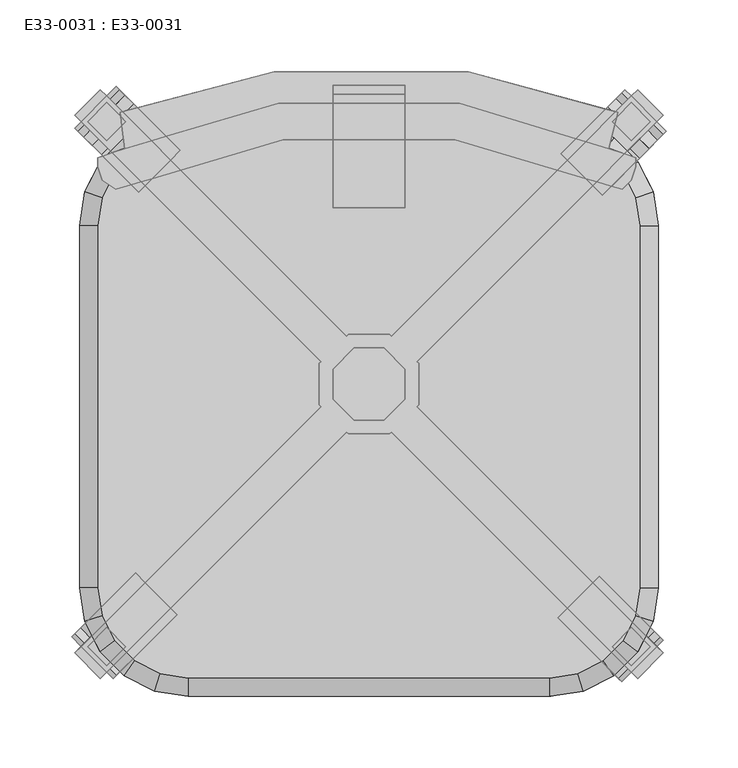
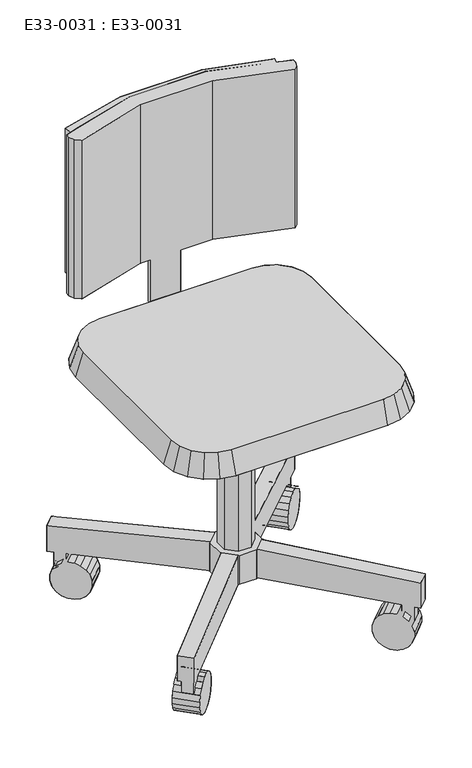
"""IFC4 building model written with IfcOpenShell, lengths in millimetres: furniture geometry, E33-0031 : E33-0031."""

from ifc_helpers import new_model, si_unit, origin, place, context, project, spatial, triangles, source, transform, mapped, element, save


def e33_0031_e33_0031_7fa96029(model_context):
    return source(origin(), model_context, "Body", "Tessellation", [
        triangles([(10.4864125, 25.3164598, 132.012409), (-10.4864171, 25.3164598, 132.012409), (-10.4864171, 25.3164598, 423.1516422), (10.4864125, 25.3164598, 423.1516422), (-25.316453, 10.4864239, 132.012409), (-25.316453, 10.4864239, 423.1516422), (-25.316453, -10.4864148, 132.012409), (-25.316453, -10.4864148, 423.1516422), (-10.4864171, -25.3164507, 132.012409), (-10.4864171, -25.3164507, 423.1516422), (10.4864125, -25.3164507, 132.012409), (10.4864125, -25.3164507, 423.1516422), (25.3164484, -10.4864148, 132.012409), (25.3164484, -10.4864148, 423.1516422), (25.3164484, 10.4864239, 132.012409), (25.3164484, 10.4864239, 423.1516422), (205.8665266, 187.9650961, 71.8858238), (187.9650885, 205.8665312, 71.8858238), (187.9650885, 205.8665312, 116.1896194), (205.8665266, 187.9650961, 116.1896194), (187.9650885, -205.866513, 71.8858238), (205.8665266, -187.9650984, 71.8858238), (187.9650885, -205.866513, 116.1896194), (205.8665266, -187.9650984, 116.1896194), (14.4188215, -34.81013, 81.3794985), (15.6637491, -33.5652023, 81.3794985), (14.4188215, -34.81013, 132.012409), (15.6637491, -33.5652023, 132.012409), (34.8101186, -14.4188237, 81.3794985), (34.8101186, 14.4188237, 81.3794985), (34.8101186, -14.4188237, 132.012409), (34.8101186, 14.4188237, 132.012409), (33.565191, 15.6637605, 81.3794985), (33.565191, 15.6637605, 132.012409), (15.6637491, 33.5651932, 81.3794985), (14.4188215, 34.81013, 81.3794985), (14.4188215, 34.81013, 132.012409), (15.6637491, 33.5651932, 132.012409), (33.565191, -15.6637514, 81.3794985), (33.565191, -15.6637514, 132.012409), (-205.8665334, -187.9650984, 71.8858238), (-187.9650825, -205.866513, 71.8858238), (-205.8665334, -187.9650984, 116.1896194), (-187.9650825, -205.866513, 116.1896194), (-187.9650825, 205.8665312, 71.8858238), (-205.8665334, 187.9650961, 71.8858238), (-205.8665334, 187.9650961, 116.1896194), (-187.9650825, 205.8665312, 116.1896194), (-14.418826, 34.81013, 81.3794985), (-15.6637718, 33.5651932, 81.3794985), (-15.6637718, 33.5651932, 132.012409), (-14.418826, 34.81013, 132.012409), (-34.8101322, 14.4188237, 81.3794985), (-34.8101322, -14.4188237, 81.3794985), (-34.8101322, -14.4188237, 132.012409), (-34.8101322, 14.4188237, 132.012409), (-33.5652046, -15.6637514, 81.3794985), (-33.5652046, -15.6637514, 132.012409), (-15.6637718, -33.5652023, 81.3794985), (-14.418826, -34.81013, 81.3794985), (-15.6637718, -33.5652023, 132.012409), (-14.418826, -34.81013, 132.012409), (-33.5652046, 15.6637605, 81.3794985), (-33.5652046, 15.6637605, 132.012409), (208.1042057, 176.7766973, 25.7344189), (205.9138098, 174.5863002, 16.2007133), (176.8239731, 203.6761352, 16.2007133), (179.0143695, 205.8665312, 25.7344189), (165.5410084, 134.2134988, 16.2007133), (163.3506125, 132.0231029, 25.7344189), (134.2607752, 161.1129391, 25.7344189), (136.4511711, 163.3033358, 16.2007133), (176.7766899, -208.1042034, 25.7344189), (174.5862934, -205.9138211, 16.2007133), (203.6761284, -176.8239907, 16.2007133), (205.8665266, -179.0143729, 25.7344189), (134.2134943, -165.5409948, 16.2007133), (132.0230983, -163.3506125, 25.7344189), (161.1129311, -134.260782, 25.7344189), (163.3033293, -136.4511824, 16.2007133), (160.1817084, 187.0338712, 62.3921537), (160.1817084, 187.0338712, -0.8989843), (153.0934374, 179.9456002, -0.8989843), (146.3520884, 173.2042511, 2.1987046), (166.9230575, 193.7752202, 2.1987046), (172.6575912, 199.5097517, 8.090859), (189.2715452, 157.9440364, 62.3921537), (189.2715452, 157.9440364, -0.8989843), (182.1832723, 150.8557634, -0.8989843), (175.441924, 144.1144149, 2.1987046), (169.7073908, 138.3798824, 8.090859), (163.3506125, 132.0231029, 35.7587503), (196.0128936, 164.6853846, 2.1987046), (201.7474262, 170.4199178, 8.090859), (157.9440293, -189.2715594, 62.3921537), (157.9440293, -189.2715594, -0.8989843), (150.8557561, -182.1832929, -0.8989843), (144.114407, -175.4419166, 2.1987046), (138.3798733, -169.7073829, 8.090859), (132.0230983, -163.3506125, 35.7587503), (170.4199109, -201.747433, 8.090859), (164.6853784, -196.0128993, 2.1987046), (187.0338655, -160.1817289, 62.3921537), (187.0338655, -160.1817289, -0.8989843), (179.9455925, -153.0934261, -0.8989843), (173.2042443, -146.3520861, 2.1987046), (167.4697117, -140.6175524, 8.090859), (161.1129311, -134.260782, 35.7587503), (199.5097471, -172.6576025, 8.090859), (193.7752134, -166.9230688, 2.1987046), (140.6175547, 167.469718, 8.090859), (134.2607752, 161.1129391, 35.7587503), (-176.7767029, 208.1042125, 25.7344189), (-174.5863206, 205.9138166, 16.2007133), (-205.8665334, 179.0143775, 25.7344189), (-203.6761511, 176.8239793, 16.2007133), (-134.2134943, 165.5410152, 16.2007133), (-132.023112, 163.3506187, 25.7344189), (-163.3033248, 136.4511802, 16.2007133), (-161.1129425, 134.260782, 25.7344189), (-208.1042239, -176.7766825, 25.7344189), (-205.9138053, -174.5863002, 16.2007133), (-176.8239748, -203.6761307, 16.2007133), (-179.0143934, -205.866513, 25.7344189), (-165.5410152, -134.213492, 16.2007133), (-163.3506329, -132.0230915, 25.7344189), (-134.2608024, -161.112922, 25.7344189), (-136.4511847, -163.3033406, 16.2007133), (-189.2715435, -157.9440384, 62.3921537), (-189.2715435, -157.9440384, -0.8989843), (-182.183277, -150.8557719, -0.8989843), (-175.441937, -144.1144138, 2.1987046), (-163.3506329, -132.0230915, 35.7587503), (-196.0129198, -164.6853784, 2.1987046), (-201.7474535, -170.4199121, 8.090859), (-160.181713, -187.0338689, 62.3921537), (-160.181713, -187.0338689, -0.8989843), (-153.0934465, -179.9456024, -0.8989843), (-146.3521065, -173.2042625, 2.1987046), (-140.6175728, -167.4697288, 8.090859), (-134.2608024, -161.112922, 35.7587503), (-166.9230529, -193.7752089, 2.1987046), (-172.6575866, -199.5097426, 8.090859), (-187.0338893, 160.1817161, 62.3921537), (-187.0338893, 160.1817161, -0.8989843), (-179.9455865, 153.0934431, -0.8989843), (-173.2042466, 146.3520952, 2.1987046), (-167.4697129, 140.6175615, 8.090859), (-161.1129425, 134.260782, 35.7587503), (-193.7752293, 166.9230643, 2.1987046), (-199.509763, 172.6575968, 8.090859), (-157.9440225, 189.2715525, 62.3921537), (-157.9440225, 189.2715525, -0.8989843), (-150.8557561, 182.1832793, -0.8989843), (-144.1144161, 175.4419313, 2.1987046), (-138.3798824, 169.7073977, 8.090859), (-132.023112, 163.3506187, 35.7587503), (-164.6853988, 196.0128993, 2.1987046), (-170.4199325, 201.747433, 8.090859), (-169.7074033, -138.3798801, 8.090859), (183.4897291, -170.0636475, 72.9954763), (183.4897291, -170.0636475, 60.9360244), (170.0636509, -183.4897175, 60.9360244), (170.0636509, -183.4897175, 72.9954763), (174.5862934, -205.9138211, 45.2924571), (176.7766899, -208.1042034, 35.7587503), (203.6761284, -176.8239907, 45.2924571), (205.8665266, -179.0143729, 35.7587503), (134.2134943, -165.5409948, 45.2924571), (138.3798733, -169.7073829, 53.4023136), (144.114407, -175.4419166, 59.2944639), (150.8557561, -182.1832929, 62.3921537), (196.9158068, -183.4897175, 72.2557095), (196.9158068, -183.4897175, 45.3844936), (179.9455925, -153.0934261, 62.3921537), (173.2042443, -146.3520861, 59.2944639), (-170.0636679, -183.4897175, 72.9954763), (-170.0636679, -183.4897175, 60.9360244), (-183.4897379, -170.0636475, 60.9360244), (-183.4897379, -170.0636475, 72.9954763), (-205.9138053, -174.5863002, 45.2924571), (-208.1042239, -176.7766825, 35.7587503), (-179.0143934, -205.866513, 35.7587503), (-176.8239748, -203.6761307, 45.2924571), (-140.6175728, -167.4697288, 53.4023136), (-146.3521065, -173.2042625, 59.2944639), (-153.0934465, -179.9456024, 62.3921537), (-196.915808, -183.4897175, 72.2557095), (-196.915808, -183.4897175, 45.3844936), (-136.4511847, -163.3033406, 45.2924571), (-182.183277, -150.8557719, 62.3921537), (183.4897291, -196.9158239, 72.2557095), (183.4897291, -196.9158239, 45.3844936), (173.6360959, -187.0621739, 59.2944639), (164.6853784, -196.0128993, 59.2944639), (170.4199109, -201.747433, 53.4023136), (179.3706296, -192.7967076, 53.4023136), (-183.4897379, -196.9158239, 45.3844936), (-183.4897379, -196.9158239, 72.2557095), (-173.6361243, -187.0621739, 59.2944639), (-179.370658, -192.7967076, 53.4023136), (-172.6575866, -199.5097426, 53.4023136), (-166.9230529, -193.7752089, 59.2944639), (196.9158068, 183.4897357, 72.2557095), (196.9158068, 183.4897357, 45.3844936), (183.4897291, 196.9158148, 45.3844936), (183.4897291, 196.9158148, 72.2557095), (169.7073908, 138.3798824, 53.4023136), (175.441924, 144.1144149, 59.2944639), (146.3520884, 173.2042511, 59.2944639), (140.6175547, 167.469718, 53.4023136), (173.6360959, 187.0621807, 59.2944639), (179.3706296, 192.7967144, 53.4023136), (166.9230575, 193.7752202, 59.2944639), (172.6575912, 199.5097517, 53.4023136), (187.0621747, 173.6361027, 59.2944639), (196.0128936, 164.6853846, 59.2944639), (201.7474262, 170.4199178, 53.4023136), (192.7967076, 179.3706375, 53.4023136), (136.4511711, 163.3033358, 45.2924571), (153.0934374, 179.9456002, 62.3921537), (165.5410084, 134.2134988, 45.2924571), (182.1832723, 150.8557634, 62.3921537), (183.4897291, 170.0636577, 72.9954763), (183.4897291, 170.0636577, 60.9360244), (170.0636509, 183.4897357, 72.9954763), (170.0636509, 183.4897357, 60.9360244), (187.0621747, -173.6361038, 59.2944639), (192.7967076, -179.3706375, 53.4023136), (193.7752134, -166.9230688, 59.2944639), (199.5097471, -172.6576025, 53.4023136), (167.4697117, -140.6175524, 53.4023136), (163.3033293, -136.4511824, 45.2924571), (176.8239731, 203.6761352, 45.2924571), (179.0143695, 205.8665312, 35.7587503), (205.9138098, 174.5863002, 45.2924571), (208.1042057, 176.7766973, 35.7587503), (-183.4897379, 196.9158148, 72.2557095), (-183.4897379, 196.9158148, 45.3844936), (-196.915808, 183.4897357, 45.3844936), (-196.915808, 183.4897357, 72.2557095), (-138.3798824, 169.7073977, 53.4023136), (-144.1144161, 175.4419313, 59.2944639), (-173.2042466, 146.3520952, 59.2944639), (-167.4697129, 140.6175615, 53.4023136), (-187.0621943, 173.6361027, 59.2944639), (-192.796728, 179.3706375, 53.4023136), (-199.509763, 172.6575968, 53.4023136), (-193.7752293, 166.9230643, 59.2944639), (-173.6361243, 187.0621807, 59.2944639), (-164.6853988, 196.0128993, 59.2944639), (-179.370658, 192.7967144, 53.4023136), (-170.4199325, 201.747433, 53.4023136), (-163.3033248, 136.4511802, 45.2924571), (-179.9455865, 153.0934431, 62.3921537), (-134.2134943, 165.5410152, 45.2924571), (-150.8557561, 182.1832793, 62.3921537), (-183.4897379, 170.0636577, 72.9954763), (-183.4897379, 170.0636577, 60.9360244), (-170.0636679, 183.4897357, 72.9954763), (-170.0636679, 183.4897357, 60.9360244), (-187.0621943, -173.6361038, 59.2944639), (-196.0129198, -164.6853784, 59.2944639), (-201.7474535, -170.4199121, 53.4023136), (-192.796728, -179.3706375, 53.4023136), (-169.7074033, -138.3798801, 53.4023136), (-175.441937, -144.1144138, 59.2944639), (-165.5410152, -134.213492, 45.2924571), (-205.8665334, 179.0143775, 35.7587503), (-203.6761511, 176.8239793, 45.2924571), (-176.7767029, 208.1042125, 35.7587503), (-174.5863206, 205.9138166, 45.2924571), (-63.2911518, 196.2025339, 802.8984484), (-170.8860741, 164.5569637, 802.8984484), (-63.2911518, 196.2025339, 549.7339231), (-170.8860741, 164.5569637, 549.7339231), (-174.0506339, 189.873419, 802.8984484), (-174.0506339, 189.873419, 549.7339231), (-66.4556933, 218.3544317, 802.8984484), (-66.4556933, 218.3544317, 549.7339231), (69.6202486, 218.3544317, 802.8984484), (69.6202486, 218.3544317, 549.7339231), (174.0506282, 189.873419, 802.8984484), (174.0506282, 189.873419, 549.7339231), (167.7215132, 164.5569637, 802.8984484), (167.7215132, 164.5569637, 549.7339231), (63.2911381, 196.2025339, 802.8984484), (63.2911381, 196.2025339, 549.7339231), (-60.126592, 170.8860775, 815.5566874), (-177.2151936, 136.075951, 815.5566874), (-60.126592, 170.8860775, 537.0756841), (-177.2151936, 136.075951, 537.0756841), (-186.7088728, 142.4050648, 815.5566874), (-186.7088728, 142.4050648, 537.0756841), (-189.8734326, 151.8987355, 815.5566874), (-189.8734326, 151.8987355, 537.0756841), (-189.8734326, 158.2278496, 815.5566874), (-189.8734326, 158.2278496, 537.0756841), (186.7088555, 158.2278496, 815.5566874), (186.7088555, 151.8987355, 815.5566874), (186.7088555, 151.8987355, 537.0756841), (186.7088555, 158.2278496, 537.0756841), (183.5442985, 142.4050648, 815.5566874), (183.5442985, 142.4050648, 537.0756841), (177.2151845, 136.075951, 815.5566874), (177.2151845, 136.075951, 537.0756841), (60.1265784, 170.8860775, 815.5566874), (60.1265784, 170.8860775, 537.0756841), (167.7215132, 164.5569637, 815.5566874), (167.7215132, 164.5569637, 537.0756841), (-170.8860741, 164.5569637, 815.5566874), (-170.8860741, 164.5569637, 537.0756841), (25.3164484, 202.5316466, 549.7339231), (25.3164484, 208.8607615, 549.7339231), (25.3164484, 208.8607615, 435.8098812), (25.3164484, 202.5316466, 438.974441), (-25.316453, 208.8607615, 549.7339231), (-25.316453, 202.5316466, 549.7339231), (-25.316453, 202.5316466, 438.974441), (-25.316453, 208.8607615, 435.8098812), (126.582274, 174.0506339, 461.1263228), (146.1403099, 170.9529453, 461.1263228), (150.0519193, 182.9916352, 423.1516422), (126.582274, 186.7088615, 423.1516422), (163.7838709, 161.9631023, 461.1263228), (171.2241917, 172.2038239, 423.1516422), (177.7858806, 147.9610938, 461.1263228), (188.0266019, 155.4014131, 423.1516422), (186.7757236, 130.3175338, 461.1263228), (198.8144135, 134.229141, 423.1516422), (189.8734122, 110.7594957, 461.1263228), (202.5316398, 110.7594957, 423.1516422), (189.8734122, -142.4050705, 461.1263228), (202.5316398, -142.4050705, 423.1516422), (186.7757236, -161.9630882, 461.1263228), (198.8144135, -165.8746953, 423.1516422), (177.7858806, -179.6066696, 461.1263228), (188.0266019, -187.0469858, 423.1516422), (163.7838709, -193.6086856, 461.1263228), (171.2241917, -203.8493759, 423.1516422), (146.1403099, -202.5985075, 461.1263228), (150.0519193, -214.6371986, 423.1516422), (126.582274, -205.6962109, 461.1263228), (126.582274, -218.3544135, 423.1516422), (-126.582274, -205.6962109, 461.1263228), (-146.1403099, -202.5985075, 461.1263228), (-150.051917, -214.6371986, 423.1516422), (-126.582274, -218.3544135, 423.1516422), (-163.7838914, -193.6086856, 461.1263228), (-171.2242076, -203.8493759, 423.1516422), (-177.7859073, -179.6066696, 461.1263228), (-188.0265976, -187.0469858, 423.1516422), (-186.7757292, -161.9630882, 461.1263228), (-198.8144203, -165.8746953, 423.1516422), (-189.8734326, -142.4050705, 461.1263228), (-202.5316352, -142.4050705, 423.1516422), (-189.8734326, 110.7594957, 461.1263228), (-202.5316352, 110.7594957, 423.1516422), (-186.7757292, 130.3175338, 461.1263228), (-198.8144203, 134.229141, 423.1516422), (-177.7859073, 147.9610938, 461.1263228), (-188.0265976, 155.4014131, 423.1516422), (-163.7838914, 161.9631023, 461.1263228), (-171.2242076, 172.2038239, 423.1516422), (-146.1403099, 170.9529453, 461.1263228), (-150.051917, 182.9916352, 423.1516422), (-126.582274, 174.0506339, 461.1263228), (-126.582274, 186.7088615, 423.1516422), (25.3164484, 193.0379764, 416.8225227), (25.3164484, 189.873419, 423.1516422), (-25.316453, 189.873419, 423.1516422), (-25.316453, 193.0379764, 416.8225227), (25.3164484, 123.4177234, 416.8225227), (25.3164484, 123.4177234, 423.1516422), (-25.316453, 123.4177234, 416.8225227), (-25.316453, 123.4177234, 423.1516422), (-63.2911518, 196.2025339, 537.0756841), (63.2911381, 196.2025339, 537.0756841), (-63.2911518, 196.2025339, 815.5566874), (63.2911381, 196.2025339, 815.5566874)], [[1, 2, 3], [1, 3, 4], [2, 5, 6], [2, 6, 3], [5, 7, 8], [5, 8, 6], [7, 9, 10], [7, 10, 8], [9, 11, 12], [9, 12, 10], [11, 13, 14], [11, 14, 12], [13, 15, 16], [13, 16, 14], [15, 1, 4], [15, 4, 16], [17, 18, 19], [17, 19, 20], [21, 22, 23], [22, 24, 23], [25, 26, 27], [26, 28, 27], [29, 30, 31], [30, 32, 31], [30, 33, 34], [30, 34, 32], [35, 36, 37], [35, 37, 38], [33, 17, 34], [17, 20, 34], [19, 18, 35], [19, 35, 38], [39, 29, 40], [29, 31, 40], [26, 21, 23], [26, 23, 28], [24, 22, 39], [24, 39, 40], [41, 42, 43], [42, 44, 43], [45, 46, 47], [45, 47, 48], [49, 50, 51], [49, 51, 52], [53, 54, 55], [53, 55, 56], [54, 57, 55], [57, 58, 55], [59, 60, 61], [60, 62, 61], [57, 41, 43], [57, 43, 58], [44, 42, 59], [44, 59, 61], [63, 53, 56], [63, 56, 64], [50, 45, 48], [50, 48, 51], [47, 46, 63], [47, 63, 64], [36, 49, 52], [36, 52, 37], [60, 25, 62], [25, 27, 62], [65, 66, 67], [65, 67, 68], [69, 70, 71], [69, 71, 72], [73, 74, 75], [73, 75, 76], [77, 78, 79], [77, 79, 80], [81, 82, 83], [81, 83, 84], [81, 82, 85], [81, 85, 86], [81, 86, 67], [81, 67, 68], [87, 88, 89], [87, 89, 90], [87, 90, 91], [87, 91, 69], [87, 69, 70], [87, 70, 92], [87, 88, 93], [87, 93, 94], [87, 94, 66], [87, 66, 65], [95, 96, 97], [95, 97, 98], [95, 98, 99], [95, 99, 77], [95, 77, 78], [95, 78, 100], [95, 96, 101], [96, 102, 101], [95, 101, 74], [95, 74, 73], [103, 104, 105], [103, 105, 106], [103, 106, 107], [103, 107, 80], [103, 80, 79], [103, 79, 108], [103, 104, 109], [104, 110, 109], [103, 109, 75], [103, 75, 76], [81, 84, 111], [81, 111, 72], [81, 72, 71], [81, 71, 112], [113, 114, 115], [114, 116, 115], [117, 118, 119], [118, 120, 119], [121, 122, 123], [121, 123, 124], [125, 126, 127], [125, 127, 128], [129, 130, 131], [129, 131, 132], [129, 125, 126], [129, 126, 133], [129, 130, 134], [129, 134, 135], [129, 135, 122], [129, 122, 121], [136, 137, 138], [136, 138, 139], [136, 139, 140], [136, 140, 128], [136, 128, 127], [136, 127, 141], [136, 137, 142], [136, 142, 143], [136, 143, 123], [136, 123, 124], [144, 145, 146], [144, 146, 147], [144, 147, 148], [144, 148, 119], [144, 119, 120], [144, 120, 149], [144, 145, 150], [144, 150, 151], [144, 151, 116], [144, 116, 115], [152, 153, 154], [152, 154, 155], [152, 155, 156], [152, 156, 117], [152, 117, 118], [152, 118, 157], [152, 153, 158], [152, 158, 159], [152, 159, 114], [152, 114, 113], [129, 125, 160], [129, 160, 132], [101, 102, 110], [101, 110, 109], [102, 96, 104], [102, 104, 110], [74, 101, 109], [74, 109, 75], [96, 97, 105], [96, 105, 104], [97, 98, 106], [97, 106, 105], [135, 134, 142], [135, 142, 143], [134, 130, 137], [134, 137, 142], [122, 135, 143], [122, 143, 123], [130, 131, 138], [130, 138, 137], [159, 158, 151], [158, 150, 151], [155, 156, 147], [156, 148, 147], [132, 160, 140], [132, 140, 139], [158, 153, 150], [153, 145, 150], [153, 154, 145], [154, 146, 145], [154, 155, 146], [155, 147, 146], [131, 132, 139], [131, 139, 138], [156, 117, 148], [117, 119, 148], [160, 125, 128], [160, 128, 140], [114, 159, 116], [159, 151, 116], [94, 93, 85], [94, 85, 86], [90, 91, 111], [90, 111, 84], [98, 99, 107], [98, 107, 106], [93, 88, 82], [93, 82, 85], [88, 89, 83], [88, 83, 82], [89, 90, 84], [89, 84, 83], [91, 69, 72], [91, 72, 111], [99, 77, 80], [99, 80, 107], [66, 94, 86], [66, 86, 67], [161, 162, 163], [161, 163, 164], [165, 166, 167], [166, 168, 167], [95, 100, 169], [95, 169, 170], [95, 170, 171], [95, 171, 172], [161, 173, 174], [161, 174, 162], [171, 172, 175], [171, 175, 176], [172, 95, 103], [172, 103, 175], [166, 73, 76], [166, 76, 168], [177, 178, 179], [177, 179, 180], [181, 182, 183], [181, 183, 184], [136, 185, 186], [136, 186, 187], [180, 188, 189], [180, 189, 179], [136, 185, 190], [136, 190, 141], [191, 129, 136], [191, 136, 187], [54, 59, 41], [59, 42, 41], [182, 121, 124], [182, 124, 183], [192, 193, 174], [192, 174, 173], [194, 195, 196], [194, 196, 197], [164, 192, 193], [164, 193, 163], [95, 73, 166], [95, 166, 165], [188, 189, 198], [188, 198, 199], [200, 201, 202], [200, 202, 203], [177, 199, 198], [177, 198, 178], [136, 184, 183], [136, 183, 124], [204, 205, 206], [204, 206, 207], [208, 209, 210], [208, 210, 211], [212, 213, 214], [213, 215, 214], [216, 217, 218], [216, 218, 219], [81, 112, 220], [81, 220, 211], [81, 211, 210], [81, 210, 221], [87, 92, 222], [87, 222, 208], [87, 208, 209], [87, 209, 223], [224, 204, 205], [224, 205, 225], [226, 207, 206], [226, 206, 227], [228, 229, 230], [229, 231, 230], [170, 171, 176], [170, 176, 232], [103, 108, 233], [103, 233, 232], [103, 232, 176], [103, 176, 175], [81, 68, 234], [68, 235, 234], [103, 76, 168], [103, 168, 167], [87, 65, 236], [65, 237, 236], [238, 239, 240], [238, 240, 241], [242, 243, 244], [242, 244, 245], [246, 247, 248], [246, 248, 249], [250, 251, 252], [251, 253, 252], [144, 149, 254], [144, 254, 245], [144, 245, 244], [144, 244, 255], [152, 157, 256], [152, 256, 242], [152, 242, 243], [152, 243, 257], [258, 241, 240], [258, 240, 259], [260, 238, 239], [260, 239, 261], [262, 263, 264], [262, 264, 265], [266, 267, 186], [266, 186, 185], [129, 133, 268], [129, 268, 266], [129, 266, 267], [129, 267, 191], [129, 121, 182], [129, 182, 181], [144, 115, 269], [144, 269, 270], [152, 113, 271], [152, 271, 272], [157, 256, 254], [157, 254, 149], [272, 271, 269], [272, 269, 270], [133, 268, 190], [133, 190, 141], [126, 133, 141], [126, 141, 127], [118, 157, 149], [118, 149, 120], [271, 113, 115], [271, 115, 269], [256, 242, 245], [256, 245, 254], [268, 266, 185], [268, 185, 190], [92, 222, 220], [92, 220, 112], [236, 237, 235], [236, 235, 234], [100, 169, 233], [100, 233, 108], [70, 92, 112], [70, 112, 71], [78, 100, 79], [100, 108, 79], [237, 65, 68], [237, 68, 235], [222, 208, 211], [222, 211, 220], [169, 170, 232], [169, 232, 233], [243, 257, 255], [243, 255, 244], [257, 152, 144], [257, 144, 255], [267, 191, 187], [267, 187, 186], [258, 259, 261], [258, 261, 260], [209, 223, 221], [209, 221, 210], [223, 87, 81], [223, 81, 221], [226, 227, 225], [226, 225, 224], [53, 25, 60], [53, 60, 54], [49, 36, 30], [49, 30, 29], [53, 49, 29], [53, 29, 25], [54, 36, 53], [36, 49, 53], [60, 25, 29], [60, 29, 30], [54, 60, 30], [54, 30, 36], [23, 24, 40], [23, 40, 28], [43, 44, 61], [43, 61, 58], [20, 19, 38], [20, 38, 34], [48, 47, 64], [48, 64, 51], [31, 13, 40], [32, 15, 13], [32, 13, 31], [15, 34, 32], [58, 7, 9], [58, 9, 61], [9, 61, 62], [51, 2, 52], [64, 5, 2], [64, 2, 51], [56, 64, 5], [56, 5, 55], [5, 7, 55], [55, 58, 7], [9, 62, 27], [9, 27, 11], [28, 11, 13], [28, 13, 40], [11, 27, 28], [15, 34, 1], [34, 38, 1], [52, 2, 1], [52, 1, 37], [37, 1, 38], [273, 274, 275], [274, 276, 275], [274, 277, 276], [277, 278, 276], [277, 279, 280], [277, 280, 278], [279, 281, 282], [279, 282, 280], [281, 283, 284], [281, 284, 282], [283, 285, 286], [283, 286, 284], [285, 287, 288], [285, 288, 286], [289, 290, 291], [290, 292, 291], [290, 293, 294], [290, 294, 292], [293, 295, 296], [293, 296, 294], [295, 297, 298], [295, 298, 296], [299, 300, 301], [299, 301, 302], [300, 303, 304], [300, 304, 301], [303, 305, 304], [305, 306, 304], [305, 307, 308], [305, 308, 306], [307, 289, 308], [289, 291, 308], [309, 299, 302], [309, 302, 310], [297, 311, 312], [297, 312, 298], [313, 314, 315], [313, 315, 316], [317, 318, 319], [317, 319, 320], [319, 316, 318], [316, 313, 318], [317, 314, 315], [317, 315, 320], [321, 322, 323], [321, 323, 324], [322, 325, 326], [322, 326, 323], [325, 327, 328], [325, 328, 326], [327, 329, 328], [329, 330, 328], [329, 331, 330], [331, 332, 330], [331, 333, 334], [331, 334, 332], [333, 335, 336], [333, 336, 334], [335, 337, 338], [335, 338, 336], [337, 339, 340], [337, 340, 338], [339, 341, 340], [341, 342, 340], [341, 343, 342], [343, 344, 342], [345, 346, 347], [345, 347, 348], [346, 349, 347], [349, 350, 347], [349, 351, 352], [349, 352, 350], [351, 353, 354], [351, 354, 352], [353, 355, 356], [353, 356, 354], [355, 357, 358], [355, 358, 356], [357, 359, 360], [357, 360, 358], [359, 361, 362], [359, 362, 360], [361, 363, 364], [361, 364, 362], [363, 365, 366], [363, 366, 364], [365, 367, 368], [365, 368, 366], [343, 345, 348], [343, 348, 344], [367, 321, 324], [367, 324, 368], [344, 338, 336], [344, 336, 334], [356, 354, 352], [356, 352, 350], [356, 350, 347], [356, 347, 348], [358, 368, 334], [358, 334, 344], [356, 348, 358], [348, 344, 358], [344, 342, 340], [344, 340, 338], [368, 324, 332], [368, 332, 334], [358, 360, 362], [358, 362, 364], [358, 364, 366], [358, 366, 368], [316, 315, 369], [316, 369, 370], [320, 319, 371], [320, 371, 372], [371, 370, 316], [371, 316, 319], [320, 315, 369], [320, 369, 372], [324, 323, 326], [324, 326, 328], [324, 328, 330], [324, 330, 332], [370, 369, 373], [370, 373, 374], [371, 372, 375], [371, 375, 376], [372, 369, 373], [372, 373, 375], [376, 374, 370], [376, 370, 371], [375, 373, 374], [375, 374, 376], [343, 341, 339], [343, 339, 337], [343, 337, 335], [343, 335, 333], [355, 353, 351], [355, 351, 349], [355, 349, 346], [355, 346, 345], [357, 367, 333], [357, 333, 343], [357, 355, 343], [355, 345, 343], [367, 321, 331], [367, 331, 333], [357, 363, 365], [357, 365, 367], [357, 359, 361], [357, 361, 363], [321, 322, 325], [321, 325, 327], [321, 327, 329], [321, 329, 331], [280, 275, 278], [275, 276, 278], [377, 291, 312], [291, 292, 312], [276, 275, 377], [276, 377, 312], [298, 296, 294], [298, 294, 292], [298, 292, 312], [284, 286, 288], [284, 288, 282], [378, 308, 306], [378, 306, 310], [288, 286, 310], [288, 310, 378], [302, 301, 306], [301, 304, 306], [310, 306, 302], [275, 288, 378], [275, 378, 377], [378, 308, 291], [378, 291, 377], [282, 288, 275], [282, 275, 280], [274, 311, 379], [274, 379, 273], [279, 273, 277], [273, 274, 277], [311, 290, 289], [311, 289, 379], [297, 295, 293], [297, 293, 290], [297, 290, 311], [287, 380, 309], [287, 309, 285], [283, 285, 287], [283, 287, 281], [309, 305, 307], [309, 307, 380], [299, 300, 305], [300, 303, 305], [309, 305, 299], [273, 379, 380], [273, 380, 287], [281, 287, 273], [281, 273, 279], [380, 307, 289], [380, 289, 379]], closed=False),
    ])


if __name__ == "__main__":
    model = new_model("IFC4")
    model_context = context("Model", 3, world=origin())
    ifc_project = project(units=[si_unit("LENGTHUNIT", "METRE", prefix="MILLI")], contexts=[model_context])
    site = spatial("IfcSite", under=ifc_project)
    building = spatial("IfcBuilding", under=site)
    placement = place(None, origin())
    e33_0031_e33_0031_shape = e33_0031_e33_0031_7fa96029(model_context)
    element("IfcFurniture", 1, ObjectType="E33-0031 : E33-0031", at=placement, inside=building, context=model_context, shape_type="MappedRepresentation", body=[
        mapped(e33_0031_e33_0031_shape, transform((0.0, 0.0, 0.0), x_axis=(1.0, 0.0, 0.0), y_axis=(0.0, 1.0, 0.0), z_axis=(0.0, 0.0, 1.0))),
    ])
    save(model, "model.ifc")
